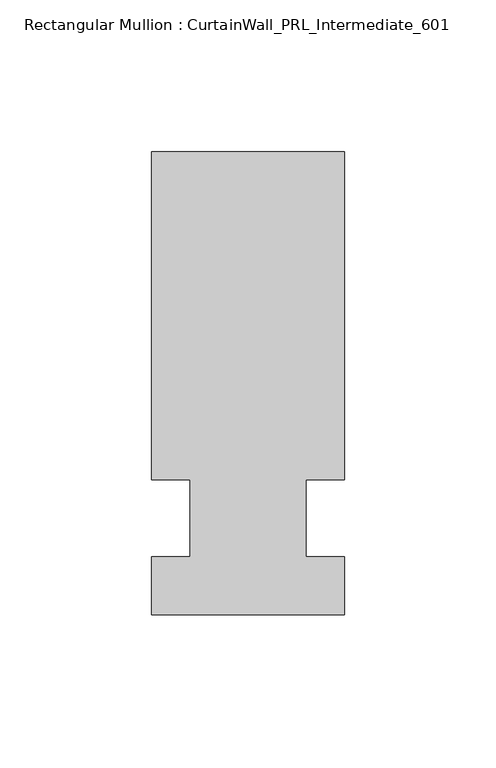
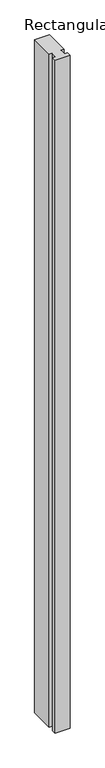
"""IFC4 building model written with IfcOpenShell, lengths in millimetres: member geometry, Rectangular Mullion : CurtainWall_PRL_Intermediate_601."""

from ifc_helpers import new_model, si_unit, frame, origin, place, context, project, spatial, polyline, outline, extrude, source, transform, mapped, element, save


def rectangular_mullion_curtainwall_prl_intermediate_601_27c746d4(model_context):
    return source(origin(), model_context, "Body", "SweptSolid", [
        extrude(outline(polyline([(-19.05, 12.7), (-31.75, 12.7), (-31.75, 120.65), (31.75, 120.65), (31.75, 12.7), (19.05, 12.7), (19.05, -12.7), (31.75, -12.7), (31.75, -31.75), (-31.75, -31.75), (-31.75, -12.7), (-19.05, -12.7), (-19.05, 12.7)])), frame((0.0, 0.0, -3048.0), z_axis=(0.0, 0.0, 1.0), x_axis=(1.0, 0.0, 0.0)), (0.0, 0.0, 1.0), 3048.0),
    ])


if __name__ == "__main__":
    model = new_model("IFC4")
    model_context = context("Model", 3, world=origin())
    ifc_project = project(units=[si_unit("LENGTHUNIT", "METRE", prefix="MILLI")], contexts=[model_context])
    site = spatial("IfcSite", under=ifc_project)
    building = spatial("IfcBuilding", under=site)
    placement = place(None, origin())
    rectangular_mullion_curtainwall_prl_intermediate_601_shape = rectangular_mullion_curtainwall_prl_intermediate_601_27c746d4(model_context)
    element("IfcMember", 1, ObjectType="Rectangular Mullion : CurtainWall_PRL_Intermediate_601", at=placement, inside=building, context=model_context, shape_type="MappedRepresentation", body=[
        mapped(rectangular_mullion_curtainwall_prl_intermediate_601_shape, transform((0.0, 0.0, 0.0), x_axis=(1.0, 0.0, 0.0), y_axis=(0.0, 1.0, 0.0), z_axis=(0.0, 0.0, 1.0))),
    ])
    save(model, "model.ifc")
